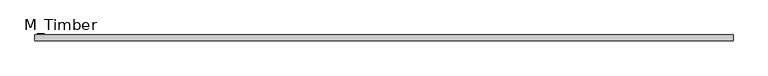
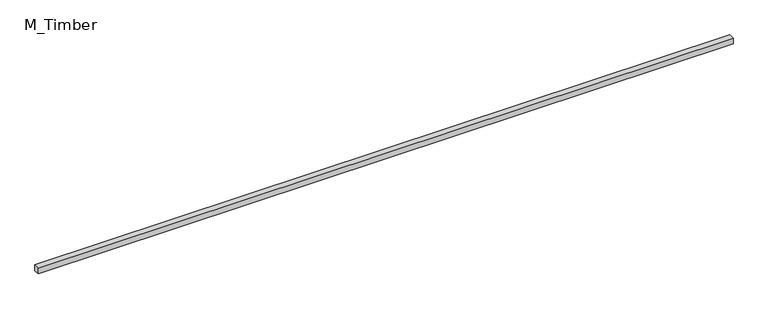
"""IFC4 building model written with IfcOpenShell, lengths in millimetres: beam geometry, M_Timber."""

from ifc_helpers import new_model, si_unit, frame, origin, place, context, project, spatial, polyline, outline, extrude, source, transform, mapped, element, save


def m_timber_ef2b7c02(model_context):
    return source(origin(), model_context, "Body", "SweptSolid", [
        extrude(outline(polyline([(2350.3382281, 20.0), (2350.3382281, -20.0), (-2350.3382281, -20.0), (-2350.3382281, 20.0), (2350.3382281, 20.0)])), frame((0.0, 0.0, -20.0), z_axis=(0.0, 0.0, 1.0), x_axis=(1.0, 0.0, 0.0)), (0.0, 0.0, 1.0), 40.0),
    ])


if __name__ == "__main__":
    model = new_model("IFC4")
    model_context = context("Model", 3, world=origin())
    ifc_project = project(units=[si_unit("LENGTHUNIT", "METRE", prefix="MILLI")], contexts=[model_context])
    site = spatial("IfcSite", under=ifc_project)
    building = spatial("IfcBuilding", under=site)
    placement = place(None, origin())
    m_timber_shape = m_timber_ef2b7c02(model_context)
    element("IfcBeam", 1, ObjectType="M_Timber", at=placement, inside=building, context=model_context, shape_type="MappedRepresentation", body=[
        mapped(m_timber_shape, transform((0.0, 0.0, 0.0), x_axis=(1.0, 0.0, 0.0), y_axis=(0.0, 1.0, 0.0), z_axis=(0.0, 0.0, 1.0))),
    ])
    save(model, "model.ifc")
